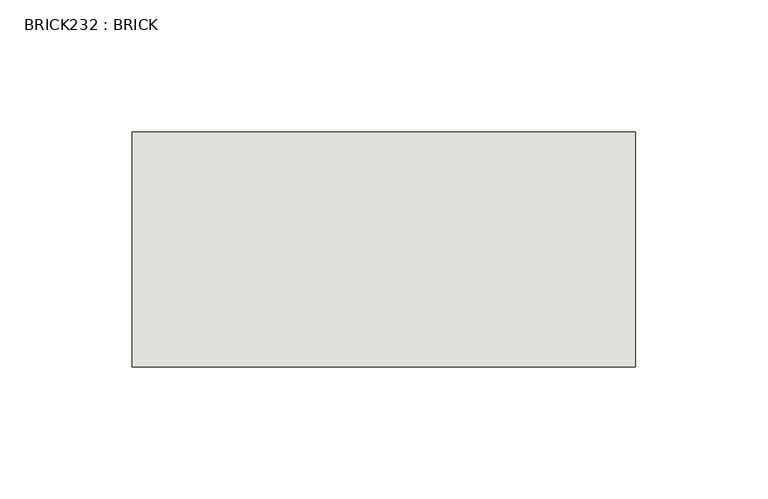
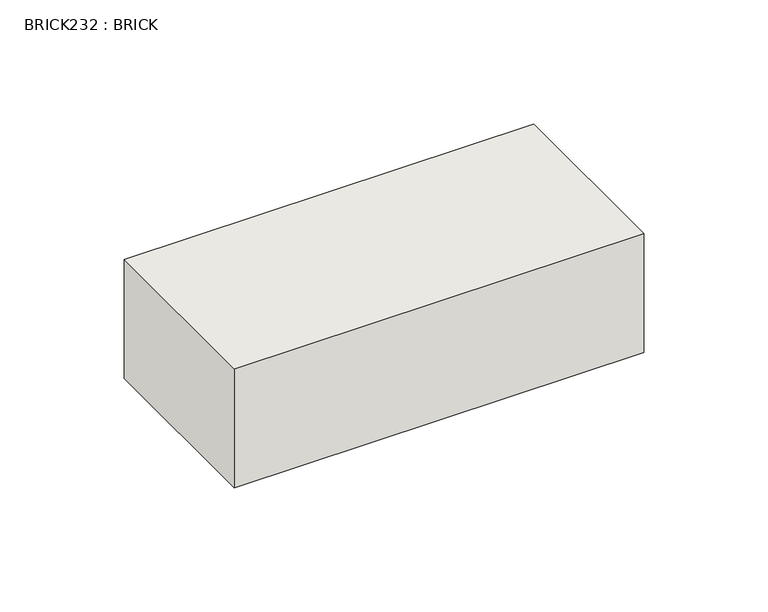
"""IFC4 building model written with IfcOpenShell, lengths in millimetres: wall geometry, BRICK232 : BRICK."""

import ifcopenshell
import ifcopenshell.guid

model = None  # the IFC model being written
_history = None  # IfcOwnerHistory: only IFC2X3 demands one
_inside = {}  # id of a spatial element -> (the spatial element, [elements in it])
_under = {}  # id of a project, library or spatial element -> (it, [spatial elements below it])
_declared = {}  # id of a project -> (the project, [libraries it declares])
_typed = {}  # id of a type object -> (the type object, [elements of that type])
_made_of = {}  # id of a material, layer set ... -> (it, [elements and type objects made of it])


def new_model(schema):
    """Start an empty IFC model of exactly this schema.

    Asked for "IFC4X3", IfcOpenShell would pick the latest addendum, in which some entities
    have other attributes; the version numbers below select the first issue.
    IFC2X3 requires an IfcOwnerHistory on every rooted entity: one is made here for all.
    """
    global model, _history
    if schema == "IFC4X3":
        model = ifcopenshell.file(schema_version=(4, 3, 0, 0))
    else:
        model = ifcopenshell.file(schema=schema)
    _inside.clear()
    _under.clear()
    _declared.clear()
    _typed.clear()
    _made_of.clear()
    _history = None
    if model.schema == "IFC2X3":
        org = make("IfcOrganization", Name="unknown")
        user = make(
            "IfcPersonAndOrganization",
            ThePerson=make("IfcPerson", FamilyName="unknown"),
            TheOrganization=org,
        )
        app = make(
            "IfcApplication",
            ApplicationDeveloper=org,
            Version="unknown",
            ApplicationFullName="unknown",
            ApplicationIdentifier="unknown",
        )
        _history = make(
            "IfcOwnerHistory",
            OwningUser=user,
            OwningApplication=app,
            ChangeAction="ADDED",
            CreationDate=0,
        )
    return model


def make(cls, **values):
    """One entity of the class cls with the attributes given. An attribute that is None is left unset."""
    return model.create_entity(
        cls, **{name: value for name, value in values.items() if value is not None}
    )


def rooted(cls, **values):
    """An entity with a GlobalId (a new one), such as an element, a storey or a relation."""
    return make(cls, GlobalId=ifcopenshell.guid.new(), OwnerHistory=_history, **values)


def si_unit(unit_type, name, prefix=None):
    """IfcSIUnit, for example si_unit("LENGTHUNIT", "METRE", prefix="MILLI")."""
    return make("IfcSIUnit", UnitType=unit_type, Prefix=prefix, Name=name)


def assignment(units):
    """IfcUnitAssignment: the units of a project."""
    return None if units is None else make("IfcUnitAssignment", Units=units)


def point(xyz):
    """IfcCartesianPoint."""
    return None if xyz is None else make("IfcCartesianPoint", Coordinates=xyz)


def direction(xyz):
    """IfcDirection."""
    return None if xyz is None else make("IfcDirection", DirectionRatios=xyz)


def frame(location, z_axis=None, x_axis=None):
    """IfcAxis2Placement3D, a coordinate frame: its origin and axes. An axis left out is left unset."""
    return make(
        "IfcAxis2Placement3D",
        Location=point(location),
        Axis=direction(z_axis),
        RefDirection=direction(x_axis),
    )


def origin():
    """The frame at (0, 0, 0) with its axes left unset."""
    return frame((0.0, 0.0, 0.0))


def place(relative_to, where):
    """IfcLocalPlacement: puts the frame where relative to a parent placement (None: the world)."""
    return make(
        "IfcLocalPlacement", PlacementRelTo=relative_to, RelativePlacement=where
    )


def context(
    kind, dimensions, precision=None, world=None, true_north=None, identifier=None
):
    """IfcGeometricRepresentationContext, for example the 3D "Model" context."""
    return make(
        "IfcGeometricRepresentationContext",
        ContextIdentifier=identifier,
        ContextType=kind,
        CoordinateSpaceDimension=dimensions,
        Precision=precision,
        WorldCoordinateSystem=world,
        TrueNorth=true_north,
    )


def project(units=None, contexts=None):
    """IfcProject with its units and contexts."""
    return rooted(
        "IfcProject",
        Name="project",
        RepresentationContexts=contexts,
        UnitsInContext=assignment(units),
    )


def spatial(cls, under=None, at=None, **own):
    """A site, building, storey or space (cls), placed at a placement, below another one or the project."""
    s = rooted(cls, ObjectPlacement=at, **own)
    if under is not None:
        _under.setdefault(under.id(), (under, []))[1].append(s)
    return s


def polyline(points):
    """IfcPolyline through the points."""
    return make("IfcPolyline", Points=[point(p) for p in points])


def outline(outer, holes=None, kind="AREA"):
    """IfcArbitraryClosedProfileDef: a profile drawn as a closed curve; with holes, ...WithVoids."""
    if holes is None:
        return make("IfcArbitraryClosedProfileDef", ProfileType=kind, OuterCurve=outer)
    return make(
        "IfcArbitraryProfileDefWithVoids",
        ProfileType=kind,
        OuterCurve=outer,
        InnerCurves=holes,
    )


def extrude(swept, where, along, depth):
    """IfcExtrudedAreaSolid: the profile swept, set in the frame where, extruded along a direction by depth."""
    return make(
        "IfcExtrudedAreaSolid",
        SweptArea=swept,
        Position=where,
        ExtrudedDirection=direction(along),
        Depth=depth,
    )


def shape(context_of_items, identifier, shape_type, items):
    """IfcShapeRepresentation: the items that make up one representation, for example the "Body"."""
    return make(
        "IfcShapeRepresentation",
        ContextOfItems=context_of_items,
        RepresentationIdentifier=identifier,
        RepresentationType=shape_type,
        Items=items,
    )


def source(mapping_origin, context_of_items, identifier, shape_type, items):
    """IfcRepresentationMap: a shape defined once, which mapped items show again and again."""
    return make(
        "IfcRepresentationMap",
        MappingOrigin=mapping_origin,
        MappedRepresentation=shape(context_of_items, identifier, shape_type, items),
    )


def transform(
    local_origin,
    x_axis=None,
    y_axis=None,
    z_axis=None,
    scale=None,
    scale2=None,
    scale3=None,
    uniform=True,
):
    """IfcCartesianTransformationOperator3D, or its non-uniform kind. x_axis, y_axis, z_axis: its Axis1, 2, 3."""
    if uniform:
        return make(
            "IfcCartesianTransformationOperator3D",
            Axis1=direction(x_axis),
            Axis2=direction(y_axis),
            LocalOrigin=point(local_origin),
            Scale=scale,
            Axis3=direction(z_axis),
        )
    return make(
        "IfcCartesianTransformationOperator3DnonUniform",
        Axis1=direction(x_axis),
        Axis2=direction(y_axis),
        LocalOrigin=point(local_origin),
        Scale=scale,
        Axis3=direction(z_axis),
        Scale2=scale2,
        Scale3=scale3,
    )


def mapped(mapping_source, mapping_target):
    """IfcMappedItem: shows the shape of a source again, moved by a transform."""
    return make(
        "IfcMappedItem", MappingSource=mapping_source, MappingTarget=mapping_target
    )


def made_of(thing, what):
    """Note that an element or type object is made of a material, layer set ...; save() writes the relation."""
    if what is not None:
        _made_of.setdefault(what.id(), (what, []))[1].append(thing)
    return thing


def element(
    cls,
    number,
    at=None,
    inside=None,
    cuts=None,
    type_object=None,
    material=None,
    context=None,
    identifier="Body",
    shape_type=None,
    held_by="IfcProductDefinitionShape",
    body=None,
    shapes=None,
    **own,
):
    """One element of the class cls, such as IfcWall. Its Tag is "e" and its number.

    at: its placement. inside: the storey or other place that contains it. cuts: it is an
    opening in that element (IfcRelVoidsElement). A single representation is given by context,
    identifier, shape_type and body (its items); several are given by shapes. held_by: the class
    of the entity that holds the representations. save() writes the other relations.
    """
    e = rooted(cls, Tag="e%d" % number, ObjectPlacement=at, **own)
    if body is not None:
        shapes = [shape(context, identifier, shape_type, body)]
    if shapes is not None:
        e.Representation = make(held_by, Representations=shapes)
    if inside is not None:
        _inside.setdefault(inside.id(), (inside, []))[1].append(e)
    if cuts is not None:
        rooted(
            "IfcRelVoidsElement", RelatingBuildingElement=cuts, RelatedOpeningElement=e
        )
    if type_object is not None:
        _typed.setdefault(type_object.id(), (type_object, []))[1].append(e)
    return made_of(e, material)


def aggregate(whole, parts):
    """IfcRelAggregates: a whole, such as a stair, and the parts it consists of."""
    return rooted("IfcRelAggregates", RelatingObject=whole, RelatedObjects=parts)


def save(model, path):
    """Write the relations noted so far, then the file.

    IfcRelAggregates (storeys below a building ...), IfcRelContainedInSpatialStructure (elements
    in a storey), IfcRelDefinesByType, IfcRelAssociatesMaterial and IfcRelDeclares: one each for
    every whole, place, type object, material and project.
    """
    for whole, parts in _under.values():
        aggregate(whole, parts)
    for where, things in _inside.values():
        rooted(
            "IfcRelContainedInSpatialStructure",
            RelatedElements=things,
            RelatingStructure=where,
        )
    for kind, things in _typed.values():
        rooted("IfcRelDefinesByType", RelatedObjects=things, RelatingType=kind)
    for what, things in _made_of.values():
        rooted("IfcRelAssociatesMaterial", RelatedObjects=things, RelatingMaterial=what)
    for by, libraries in _declared.values():
        rooted("IfcRelDeclares", RelatingContext=by, RelatedDefinitions=libraries)
    model.write(path)


def brick232_brick_3514adce(model_context):
    return source(origin(), model_context, "Body", "SweptSolid", [
        extrude(outline(polyline([(-1481.0574357, 3062.3923312), (-1290.5574357, 3062.3923312), (-1290.5574357, 2973.4923312), (-1481.0574357, 2973.4923312), (-1481.0574357, 3062.3923312)])), frame((0.0, 0.0, 423.2671875), z_axis=(0.0, 0.0, 1.0), x_axis=(1.0, 0.0, 0.0)), (0.0, 0.0, 1.0), 58.4398437),
    ])


if __name__ == "__main__":
    model = new_model("IFC4")
    model_context = context("Model", 3, world=origin())
    ifc_project = project(units=[si_unit("LENGTHUNIT", "METRE", prefix="MILLI")], contexts=[model_context])
    site = spatial("IfcSite", under=ifc_project)
    building = spatial("IfcBuilding", under=site)
    placement = place(None, origin())
    brick232_brick_shape = brick232_brick_3514adce(model_context)
    element("IfcWall", 1, ObjectType="BRICK232 : BRICK", at=placement, inside=building, context=model_context, shape_type="MappedRepresentation", body=[
        mapped(brick232_brick_shape, transform((0.0, 0.0, 0.0), x_axis=(1.0, 0.0, 0.0), y_axis=(0.0, 1.0, 0.0), z_axis=(0.0, 0.0, 1.0))),
    ])
    save(model, "model.ifc")
